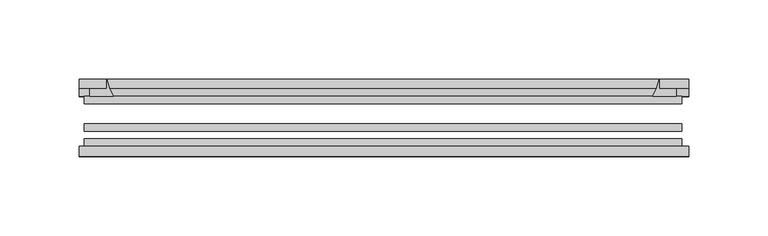
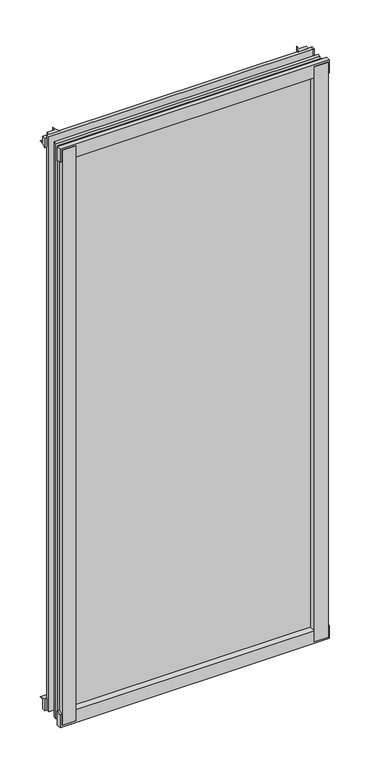
"""IFC4 building model written with IfcOpenShell, lengths in millimetres: plate geometry."""

from ifc_helpers import new_model, si_unit, point, frame, frame_2d, origin, place, context, project, spatial, polyline, circle_curve, trimmed, segment, composite_curve, outline, extrude, source, transform, mapped, element, save


def plate_adc2e457(model_context):
    return source(origin(), model_context, "Body", "SweptSolid", [
        extrude(outline(composite_curve([segment(polyline([(-188.865813, -78.7828625), (-167.4446117, -78.7828625)]), True, "CONTINUOUS"), segment(trimmed(circle_curve(frame_2d((-159.8074461, -84.652782)), 9.6323545), [point((-167.4446117, -78.7828625))], [point((-169.4278294, -85.1328625))], True, "CARTESIAN"), True, "CONTINUOUS"), segment(polyline([(-169.4278294, -85.1328625), (-188.865813, -85.1328625), (-188.865813, -78.7828625)]), True, "CONTINUOUS")], self_intersect=False)), frame((0.0, 0.0, -14.2875), z_axis=(0.0, 0.0, 1.0), x_axis=(1.0, 0.0, 0.0)), (0.0, 0.0, 1.0), 869.95),
        extrude(outline(composite_curve([segment(polyline([(191.4477195, -78.7828625), (191.4477195, -85.1328625), (171.9678294, -85.1328625)]), True, "CONTINUOUS"), segment(trimmed(circle_curve(frame_2d((162.3474461, -84.652782)), 9.6323545), [point((171.9678294, -85.1328625))], [point((169.9846117, -78.7828625))], True, "CARTESIAN"), True, "CONTINUOUS"), segment(polyline([(169.9846117, -78.7828625), (191.4477195, -78.7828625)]), True, "CONTINUOUS")], self_intersect=False)), frame((0.0, 0.0, -14.2875), z_axis=(0.0, 0.0, 1.0), x_axis=(1.0, 0.0, 0.0)), (0.0, 0.0, 1.0), 869.95),
        extrude(outline(composite_curve([segment(polyline([(-47.1852625, -14.2875), (-47.1852625, 3.9588469)]), True, "CONTINUOUS"), segment(trimmed(circle_curve(frame_2d((-30.6824422, 32.267054)), 32.7673262), [point((-47.1852625, 3.9588469))], [point((-36.3503395, -0.00635))], True, "CARTESIAN"), True, "CONTINUOUS"), segment(polyline([(-36.3503395, -0.00635), (-42.2830625, -0.00635), (-42.2830625, -14.2875), (-47.1852625, -14.2875)]), True, "CONTINUOUS")], self_intersect=False)), frame((-192.040813, 0.0, 0.0), z_axis=(1.0, 0.0, 0.0), x_axis=(0.0, 1.0, 0.0)), (0.0, 0.0, 1.0), 385.4706884),
        extrude(outline(composite_curve([segment(polyline([(-78.7828625, -16.8821065), (-85.1328625, -16.8821065), (-85.1328625, 2.5977835)]), True, "CONTINUOUS"), segment(trimmed(circle_curve(frame_2d((-84.652782, 12.2181669)), 9.6323545), [point((-85.1328625, 2.5977835))], [point((-78.7828625, 4.5810013))], True, "CARTESIAN"), True, "CONTINUOUS"), segment(polyline([(-78.7828625, 4.5810013), (-78.7828625, -16.8821065)]), True, "CONTINUOUS")], self_intersect=False)), frame((-192.040813, 0.0, 0.0), z_axis=(1.0, 0.0, 0.0), x_axis=(0.0, 1.0, 0.0)), (0.0, 0.0, 1.0), 385.4706884),
        extrude(outline(composite_curve([segment(polyline([(-47.1852625, 837.4034531), (-47.1852625, 852.0752564), (-42.2830625, 852.0752564), (-42.2830625, 841.375), (-36.3140625, 841.375)]), True, "CONTINUOUS"), segment(trimmed(circle_curve(frame_2d((-30.6824422, 809.095246)), 32.7673262), [point((-36.3140625, 841.375))], [point((-47.1852625, 837.4034531))], True, "CARTESIAN"), True, "CONTINUOUS")], self_intersect=False)), frame((-192.040813, 0.0, 0.0), z_axis=(1.0, 0.0, 0.0), x_axis=(0.0, 1.0, 0.0)), (0.0, 0.0, 1.0), 385.4706884),
        extrude(outline(composite_curve([segment(polyline([(-78.7828625, 858.2444065), (-78.7828625, 836.7812987)]), True, "CONTINUOUS"), segment(trimmed(circle_curve(frame_2d((-84.652782, 829.1441331)), 9.6323545), [point((-78.7828625, 836.7812987))], [point((-85.1328625, 838.7645165))], True, "CARTESIAN"), True, "CONTINUOUS"), segment(polyline([(-85.1328625, 838.7645165), (-85.1328625, 858.2444065), (-78.7828625, 858.2444065)]), True, "CONTINUOUS")], self_intersect=False)), frame((-192.040813, 0.0, 0.0), z_axis=(1.0, 0.0, 0.0), x_axis=(0.0, 1.0, 0.0)), (0.0, 0.0, 1.0), 385.4706884),
        extrude(outline(composite_curve([segment(trimmed(circle_curve(frame_2d((142.298559, -30.6824422)), 32.7673262), [point((170.606766, -47.1852625))], [point((174.578313, -36.3140625))], True, "CARTESIAN"), True, "CONTINUOUS"), segment(polyline([(174.578313, -36.3140625), (174.578313, -42.2830625), (185.2786783, -42.2830625), (185.2786783, -47.1852625), (170.606766, -47.1852625)]), True, "CONTINUOUS")], self_intersect=False)), frame((0.0, 0.0, -14.2875), z_axis=(0.0, 0.0, 1.0), x_axis=(1.0, 0.0, 0.0)), (0.0, 0.0, 1.0), 869.95),
        extrude(outline(composite_curve([segment(polyline([(-170.606766, -47.1852625), (-185.2735222, -47.1852625), (-185.2735222, -42.2830625), (-174.578313, -42.2830625), (-174.578313, -36.3140625)]), True, "CONTINUOUS"), segment(trimmed(circle_curve(frame_2d((-142.298559, -30.6824422)), 32.7673262), [point((-174.578313, -36.3140625))], [point((-170.606766, -47.1852625))], True, "CARTESIAN"), True, "CONTINUOUS")], self_intersect=False)), frame((0.0, 0.0, -14.2875), z_axis=(0.0, 0.0, 1.0), x_axis=(1.0, 0.0, 0.0)), (0.0, 0.0, 1.0), 869.95),
        extrude(outline(polyline([(188.865813, -64.6604625), (188.865813, -69.4356625), (-188.865813, -69.4356625), (-188.865813, -64.6604625), (188.865813, -64.6604625)])), frame((0.0, 0.0, -14.2875), z_axis=(0.0, 0.0, 1.0), x_axis=(1.0, 0.0, 0.0)), (0.0, 0.0, 1.0), 869.95),
        extrude(outline(polyline([(-188.865813, -78.7828625), (-188.865813, -74.0076625), (188.865813, -74.0076625), (188.865813, -78.7828625), (-188.865813, -78.7828625)])), frame((0.0, 0.0, -14.2875), z_axis=(0.0, 0.0, 1.0), x_axis=(1.0, 0.0, 0.0)), (0.0, 0.0, 1.0), 869.95),
        extrude(outline(polyline([(-188.865813, -47.1852625), (188.865813, -47.1852625), (188.865813, -51.9604625), (-188.865813, -51.9604625), (-188.865813, -47.1852625)])), frame((0.0, 0.0, -14.2875), z_axis=(0.0, 0.0, 1.0), x_axis=(1.0, 0.0, 0.0)), (0.0, 0.0, 1.0), 869.95),
    ])


if __name__ == "__main__":
    model = new_model("IFC4")
    model_context = context("Model", 3, world=origin())
    ifc_project = project(units=[si_unit("LENGTHUNIT", "METRE", prefix="MILLI")], contexts=[model_context])
    site = spatial("IfcSite", under=ifc_project)
    building = spatial("IfcBuilding", under=site)
    placement = place(None, origin())
    plate_shape = plate_adc2e457(model_context)
    element("IfcPlate", 1, at=placement, inside=building, context=model_context, shape_type="MappedRepresentation", body=[
        mapped(plate_shape, transform((0.0, 0.0, 0.0), x_axis=(1.0, 0.0, 0.0), y_axis=(0.0, 1.0, 0.0), z_axis=(0.0, 0.0, 1.0))),
    ])
    save(model, "model.ifc")
